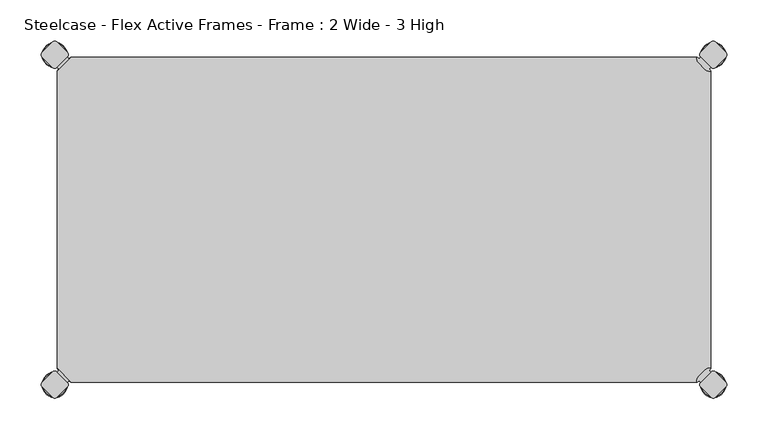
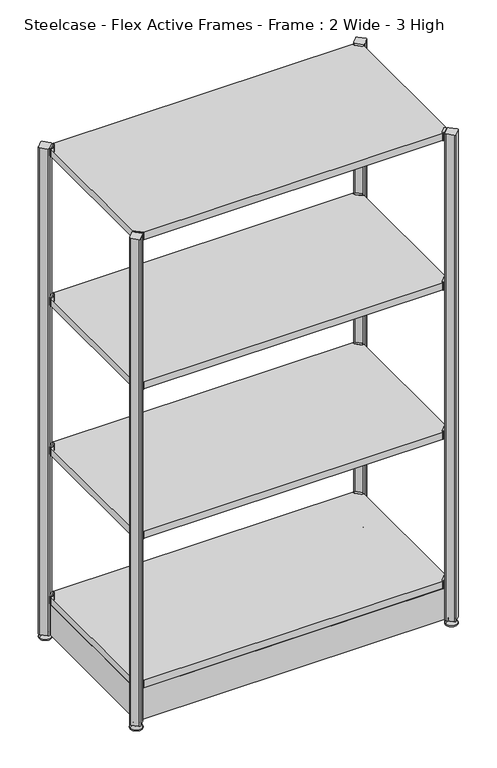
"""IFC4 building model written with IfcOpenShell, lengths in millimetres: furniture geometry, Steelcase - Flex Active Frames - Frame : 2 Wide - 3 High."""

from ifc_helpers import new_model, si_unit, point, frame, frame_2d, origin, place, context, project, spatial, polyline, circle_curve, ellipse_curve, trimmed, segment, composite_curve, outline, extrude, source, transform, mapped, element, save
from ifc_brep_helpers import plane_surface, cylinder_surface, revolved_surface, advanced_brep


def steelcase_flex_active_frames_frame_2_wide_3_high_e68bc6d5(model_context):
    return source(origin(), model_context, "Body", "SolidModel", [
        advanced_brep(
        [(795.4995166, -396.9286835, 0.0), (809.4482375, -396.9286835, 0.0), (781.5507958, -396.9286835, 0.0), (810.3951451, -396.9286835, 2.116325), (780.6038882, -396.9286835, 2.116325), (804.2429012, -396.9286835, 8.9997406), (786.7561321, -396.9286835, 8.9997406), (802.9003852, -396.9286835, 8.9997406), (788.0986481, -396.9286835, 8.9997406), (802.9003852, -396.9286835, 12.0919909), (788.0986481, -396.9286835, 12.0919909), (802.3923852, -396.9286835, 12.5999909), (788.6066481, -396.9286835, 12.5999909), (799.518847, -396.9286835, 12.5999909), (791.4801863, -396.9286835, 12.5999909), (799.518847, -396.9286835, 22.7146261), (791.4801863, -396.9286835, 22.7146261), (795.4995166, -396.9286835, 22.7146261)],
        [
            (0, 1),
            (1, 2, circle_curve(frame((795.4995166, -396.9286835, 0.0), z_axis=(0.0, 0.0, -1.0), x_axis=(1.0, 0.0, 0.0)), 13.9487209)),
            (2, 0),
            (2, 1, circle_curve(frame((795.4995166, -396.9286835, 0.0), z_axis=(0.0, 0.0, -1.0), x_axis=(1.0, 0.0, 0.0)), 13.9487209)),
            (1, 3, circle_curve(frame((809.4482375, -396.9286835, 1.27), z_axis=(0.0, -1.0, 0.0), x_axis=(1.0, 0.0, 0.0)), 1.27)),
            (3, 4, circle_curve(frame((795.4995166, -396.9286835, 2.116325), z_axis=(0.0, 0.0, -1.0), x_axis=(1.0, 0.0, 0.0)), 14.8956285)),
            (4, 2, circle_curve(frame((781.5507958, -396.9286835, 1.27), z_axis=(0.0, -1.0, 0.0), x_axis=(-1.0, 0.0, 0.0)), 1.27)),
            (4, 3, circle_curve(frame((795.4995166, -396.9286835, 2.116325), z_axis=(0.0, 0.0, -1.0), x_axis=(1.0, 0.0, 0.0)), 14.8956285)),
            (3, 5),
            (5, 6, circle_curve(frame((795.4995166, -396.9286835, 8.9997406), z_axis=(0.0, 0.0, -1.0), x_axis=(1.0, 0.0, 0.0)), 8.7433846)),
            (6, 4),
            (6, 5, circle_curve(frame((795.4995166, -396.9286835, 8.9997406), z_axis=(0.0, 0.0, -1.0), x_axis=(1.0, 0.0, 0.0)), 8.7433846)),
            (5, 7),
            (7, 8, circle_curve(frame((795.4995166, -396.9286835, 8.9997406), z_axis=(0.0, 0.0, -1.0), x_axis=(1.0, 0.0, 0.0)), 7.4008685)),
            (8, 6),
            (8, 7, circle_curve(frame((795.4995166, -396.9286835, 8.9997406), z_axis=(0.0, 0.0, -1.0), x_axis=(1.0, 0.0, 0.0)), 7.4008685)),
            (7, 9),
            (9, 10, circle_curve(frame((795.4995166, -396.9286835, 12.0919909), z_axis=(0.0, 0.0, -1.0), x_axis=(1.0, 0.0, 0.0)), 7.4008685)),
            (10, 8),
            (10, 9, circle_curve(frame((795.4995166, -396.9286835, 12.0919909), z_axis=(0.0, 0.0, -1.0), x_axis=(1.0, 0.0, 0.0)), 7.4008685)),
            (9, 11, circle_curve(frame((802.3923852, -396.9286835, 12.0919909), z_axis=(0.0, -1.0, 0.0), x_axis=(1.0, 0.0, 0.0)), 0.508)),
            (11, 12, circle_curve(frame((795.4995166, -396.9286835, 12.5999909), z_axis=(0.0, 0.0, -1.0), x_axis=(1.0, 0.0, 0.0)), 6.8928685)),
            (12, 10, circle_curve(frame((788.6066481, -396.9286835, 12.0919909), z_axis=(0.0, -1.0, 0.0), x_axis=(-1.0, 0.0, 0.0)), 0.508)),
            (12, 11, circle_curve(frame((795.4995166, -396.9286835, 12.5999909), z_axis=(0.0, 0.0, -1.0), x_axis=(1.0, 0.0, 0.0)), 6.8928685)),
            (11, 13),
            (13, 14, circle_curve(frame((795.4995166, -396.9286835, 12.5999909), z_axis=(0.0, 0.0, -1.0), x_axis=(1.0, 0.0, 0.0)), 4.0193303)),
            (14, 12),
            (14, 13, circle_curve(frame((795.4995166, -396.9286835, 12.5999909), z_axis=(0.0, 0.0, -1.0), x_axis=(1.0, 0.0, 0.0)), 4.0193303)),
            (13, 15),
            (15, 16, circle_curve(frame((795.4995166, -396.9286835, 22.7146261), z_axis=(0.0, 0.0, -1.0), x_axis=(1.0, 0.0, 0.0)), 4.0193303)),
            (16, 14),
            (16, 15, circle_curve(frame((795.4995166, -396.9286835, 22.7146261), z_axis=(0.0, 0.0, -1.0), x_axis=(1.0, 0.0, 0.0)), 4.0193303)),
            (15, 17),
            (17, 16),
        ],
        [
            plane_surface(frame((795.4995166, -396.9286835, 0.0), z_axis=(0.0, 0.0, -1.0), x_axis=(1.0, 0.0, 0.0))),
            revolved_surface(trimmed(ellipse_curve(frame((809.4482375, -396.9286835, 1.27), z_axis=(0.0, 1.0, 0.0), x_axis=(1.0, 0.0, 0.0)), 1.27, 1.27), [point((810.3951451, -396.9286835, 2.116325))], [point((809.4482375, -396.9286835, 0.0))], True, "CARTESIAN"), (795.4995166, -396.9286835, 32.0514718), (0.0, 0.0, -1.0)),
            revolved_surface(polyline([(804.2429012, -396.9286835, 8.9997406), (810.3951451, -396.9286835, 2.116325)]), (795.4995166, -396.9286835, 32.0514718), (0.0, 0.0, -1.0)),
            plane_surface(frame((795.4995166, -396.9286835, 8.9997406), z_axis=(0.0, 0.0, 1.0), x_axis=(1.0, 0.0, 0.0))),
            cylinder_surface(frame((795.4995166, -396.9286835, 32.0514718), z_axis=(0.0, 0.0, -1.0), x_axis=(1.0, 0.0, 0.0)), 7.4008685),
            revolved_surface(trimmed(ellipse_curve(frame((802.3923852, -396.9286835, 12.0919909), z_axis=(0.0, 1.0, 0.0), x_axis=(1.0, 0.0, 0.0)), 0.508, 0.508), [point((802.3923852, -396.9286835, 12.5999909))], [point((802.9003852, -396.9286835, 12.0919909))], True, "CARTESIAN"), (795.4995166, -396.9286835, 32.0514718), (0.0, 0.0, -1.0)),
            plane_surface(frame((795.4995166, -396.9286835, 12.5999909), z_axis=(0.0, 0.0, 1.0), x_axis=(1.0, 0.0, 0.0))),
            cylinder_surface(frame((795.4995166, -396.9286835, 32.0514718), z_axis=(0.0, 0.0, -1.0), x_axis=(1.0, 0.0, 0.0)), 4.0193303),
            plane_surface(frame((795.4995166, -396.9286835, 22.7146261), z_axis=(0.0, 0.0, 1.0), x_axis=(1.0, 0.0, 0.0))),
        ],
        [
            (0, [[1, 2, 3]]),
            (0, [[-3, 4, -1]]),
            (1, [[-2, 5, 6, 7]]),
            (1, [[-4, -7, 8, -5]]),
            (2, [[-6, 9, 10, 11]]),
            (2, [[-8, -11, 12, -9]]),
            (3, [[-10, 13, 14, 15]]),
            (3, [[-12, -15, 16, -13]]),
            (4, [[-14, 17, 18, 19]]),
            (4, [[-16, -19, 20, -17]]),
            (5, [[-18, 21, 22, 23]]),
            (5, [[-20, -23, 24, -21]]),
            (6, [[-22, 25, 26, 27]]),
            (6, [[-24, -27, 28, -25]]),
            (7, [[-26, 29, 30, 31]]),
            (7, [[-28, -31, 32, -29]]),
            (8, [[-30, 33, 34]]),
            (8, [[-32, -34, -33]]),
        ],
    ),
        advanced_brep(
        [(795.4995166, 2.9246323, 0.0), (781.5507958, 2.9246323, 0.0), (809.4482375, 2.9246323, 0.0), (780.6038882, 2.9246323, 2.116325), (810.3951451, 2.9246323, 2.116325), (786.7561321, 2.9246323, 8.9997406), (804.2429012, 2.9246323, 8.9997406), (788.0986481, 2.9246323, 8.9997406), (802.9003852, 2.9246323, 8.9997406), (788.0986481, 2.9246323, 12.0919909), (802.9003852, 2.9246323, 12.0919909), (788.6066481, 2.9246323, 12.5999909), (802.3923852, 2.9246323, 12.5999909), (791.4801863, 2.9246323, 12.5999909), (799.518847, 2.9246323, 12.5999909), (791.4801863, 2.9246323, 22.7146261), (799.518847, 2.9246323, 22.7146261), (795.4995166, 2.9246323, 22.7146261)],
        [
            (0, 1),
            (1, 2, circle_curve(frame((795.4995166, 2.9246323, 0.0), z_axis=(0.0, 0.0, -1.0), x_axis=(1.0, 0.0, 0.0)), 13.9487209)),
            (2, 0),
            (2, 1, circle_curve(frame((795.4995166, 2.9246323, 0.0), z_axis=(0.0, 0.0, -1.0), x_axis=(1.0, 0.0, 0.0)), 13.9487209)),
            (1, 3, circle_curve(frame((781.5507958, 2.9246323, 1.27), z_axis=(0.0, 1.0, 0.0), x_axis=(-1.0, 0.0, 0.0)), 1.27)),
            (3, 4, circle_curve(frame((795.4995166, 2.9246323, 2.116325), z_axis=(0.0, 0.0, -1.0), x_axis=(1.0, 0.0, 0.0)), 14.8956285)),
            (4, 2, circle_curve(frame((809.4482375, 2.9246323, 1.27), z_axis=(0.0, 1.0, 0.0), x_axis=(1.0, 0.0, 0.0)), 1.27)),
            (4, 3, circle_curve(frame((795.4995166, 2.9246323, 2.116325), z_axis=(0.0, 0.0, -1.0), x_axis=(1.0, 0.0, 0.0)), 14.8956285)),
            (3, 5),
            (5, 6, circle_curve(frame((795.4995166, 2.9246323, 8.9997406), z_axis=(0.0, 0.0, -1.0), x_axis=(1.0, 0.0, 0.0)), 8.7433846)),
            (6, 4),
            (6, 5, circle_curve(frame((795.4995166, 2.9246323, 8.9997406), z_axis=(0.0, 0.0, -1.0), x_axis=(1.0, 0.0, 0.0)), 8.7433846)),
            (5, 7),
            (7, 8, circle_curve(frame((795.4995166, 2.9246323, 8.9997406), z_axis=(0.0, 0.0, -1.0), x_axis=(1.0, 0.0, 0.0)), 7.4008685)),
            (8, 6),
            (8, 7, circle_curve(frame((795.4995166, 2.9246323, 8.9997406), z_axis=(0.0, 0.0, -1.0), x_axis=(1.0, 0.0, 0.0)), 7.4008685)),
            (7, 9),
            (9, 10, circle_curve(frame((795.4995166, 2.9246323, 12.0919909), z_axis=(0.0, 0.0, -1.0), x_axis=(1.0, 0.0, 0.0)), 7.4008685)),
            (10, 8),
            (10, 9, circle_curve(frame((795.4995166, 2.9246323, 12.0919909), z_axis=(0.0, 0.0, -1.0), x_axis=(1.0, 0.0, 0.0)), 7.4008685)),
            (9, 11, circle_curve(frame((788.6066481, 2.9246323, 12.0919909), z_axis=(0.0, 1.0, 0.0), x_axis=(-1.0, 0.0, 0.0)), 0.508)),
            (11, 12, circle_curve(frame((795.4995166, 2.9246323, 12.5999909), z_axis=(0.0, 0.0, -1.0), x_axis=(1.0, 0.0, 0.0)), 6.8928685)),
            (12, 10, circle_curve(frame((802.3923852, 2.9246323, 12.0919909), z_axis=(0.0, 1.0, 0.0), x_axis=(1.0, 0.0, 0.0)), 0.508)),
            (12, 11, circle_curve(frame((795.4995166, 2.9246323, 12.5999909), z_axis=(0.0, 0.0, -1.0), x_axis=(1.0, 0.0, 0.0)), 6.8928685)),
            (11, 13),
            (13, 14, circle_curve(frame((795.4995166, 2.9246323, 12.5999909), z_axis=(0.0, 0.0, -1.0), x_axis=(1.0, 0.0, 0.0)), 4.0193303)),
            (14, 12),
            (14, 13, circle_curve(frame((795.4995166, 2.9246323, 12.5999909), z_axis=(0.0, 0.0, -1.0), x_axis=(1.0, 0.0, 0.0)), 4.0193303)),
            (13, 15),
            (15, 16, circle_curve(frame((795.4995166, 2.9246323, 22.7146261), z_axis=(0.0, 0.0, -1.0), x_axis=(1.0, 0.0, 0.0)), 4.0193303)),
            (16, 14),
            (16, 15, circle_curve(frame((795.4995166, 2.9246323, 22.7146261), z_axis=(0.0, 0.0, -1.0), x_axis=(1.0, 0.0, 0.0)), 4.0193303)),
            (15, 17),
            (17, 16),
        ],
        [
            plane_surface(frame((795.4995166, 2.9246323, 0.0), z_axis=(0.0, 0.0, -1.0), x_axis=(1.0, 0.0, 0.0))),
            revolved_surface(trimmed(ellipse_curve(frame((809.4482375, 2.9246323, 1.27), z_axis=(0.0, 1.0, 0.0), x_axis=(1.0, 0.0, 0.0)), 1.27, 1.27), [point((810.3951451, 2.9246323, 2.116325))], [point((809.4482375, 2.9246323, 0.0))], True, "CARTESIAN"), (795.4995166, 2.9246323, 32.0514718), (0.0, 0.0, -1.0)),
            revolved_surface(polyline([(804.2429012, 2.9246323, 8.9997406), (810.3951451, 2.9246323, 2.116325)]), (795.4995166, 2.9246323, 32.0514718), (0.0, 0.0, -1.0)),
            plane_surface(frame((795.4995166, 2.9246323, 8.9997406), z_axis=(0.0, 0.0, 1.0), x_axis=(1.0, 0.0, 0.0))),
            cylinder_surface(frame((795.4995166, 2.9246323, 32.0514718), z_axis=(0.0, 0.0, -1.0), x_axis=(1.0, 0.0, 0.0)), 7.4008685),
            revolved_surface(trimmed(ellipse_curve(frame((802.3923852, 2.9246323, 12.0919909), z_axis=(0.0, 1.0, 0.0), x_axis=(1.0, 0.0, 0.0)), 0.508, 0.508), [point((802.3923852, 2.9246323, 12.5999909))], [point((802.9003852, 2.9246323, 12.0919909))], True, "CARTESIAN"), (795.4995166, 2.9246323, 32.0514718), (0.0, 0.0, -1.0)),
            plane_surface(frame((795.4995166, 2.9246323, 12.5999909), z_axis=(0.0, 0.0, 1.0), x_axis=(1.0, 0.0, 0.0))),
            cylinder_surface(frame((795.4995166, 2.9246323, 32.0514718), z_axis=(0.0, 0.0, -1.0), x_axis=(1.0, 0.0, 0.0)), 4.0193303),
            plane_surface(frame((795.4995166, 2.9246323, 22.7146261), z_axis=(0.0, 0.0, 1.0), x_axis=(1.0, 0.0, 0.0))),
        ],
        [
            (0, [[1, 2, 3]]),
            (0, [[-3, 4, -1]]),
            (1, [[5, 6, 7, -2]]),
            (1, [[-7, 8, -5, -4]]),
            (2, [[9, 10, 11, -6]]),
            (2, [[-11, 12, -9, -8]]),
            (3, [[13, 14, 15, -10]]),
            (3, [[-15, 16, -13, -12]]),
            (4, [[17, 18, 19, -14]]),
            (4, [[-19, 20, -17, -16]]),
            (5, [[21, 22, 23, -18]]),
            (5, [[-23, 24, -21, -20]]),
            (6, [[25, 26, 27, -22]]),
            (6, [[-27, 28, -25, -24]]),
            (7, [[29, 30, 31, -26]]),
            (7, [[-31, 32, -29, -28]]),
            (8, [[33, 34, -30]]),
            (8, [[-34, -33, -32]]),
        ],
    ),
        advanced_brep(
        [(-3.0195166, -396.8786323, 0.0), (10.9292042, -396.8786323, 0.0), (-16.9682375, -396.8786323, 0.0), (11.8761118, -396.8786323, 2.116325), (-17.9151451, -396.8786323, 2.116325), (5.7238679, -396.8786323, 8.9997406), (-11.7629012, -396.8786323, 8.9997406), (4.3813519, -396.8786323, 8.9997406), (-10.4203852, -396.8786323, 8.9997406), (4.3813519, -396.8786323, 12.0919909), (-10.4203852, -396.8786323, 12.0919909), (3.8733519, -396.8786323, 12.5999909), (-9.9123852, -396.8786323, 12.5999909), (0.9998137, -396.8786323, 12.5999909), (-7.038847, -396.8786323, 12.5999909), (0.9998137, -396.8786323, 22.7146261), (-7.038847, -396.8786323, 22.7146261), (-3.0195166, -396.8786323, 22.7146261)],
        [
            (0, 1),
            (1, 2, circle_curve(frame((-3.0195166, -396.8786323, 0.0), z_axis=(0.0, 0.0, -1.0), x_axis=(-1.0, 0.0, 0.0)), 13.9487209)),
            (2, 0),
            (2, 1, circle_curve(frame((-3.0195166, -396.8786323, 0.0), z_axis=(0.0, 0.0, -1.0), x_axis=(-1.0, 0.0, 0.0)), 13.9487209)),
            (1, 3, circle_curve(frame((10.9292042, -396.8786323, 1.27), z_axis=(0.0, -1.0, 0.0), x_axis=(1.0, 0.0, 0.0)), 1.27)),
            (3, 4, circle_curve(frame((-3.0195166, -396.8786323, 2.116325), z_axis=(0.0, 0.0, -1.0), x_axis=(-1.0, 0.0, 0.0)), 14.8956285)),
            (4, 2, circle_curve(frame((-16.9682375, -396.8786323, 1.27), z_axis=(0.0, -1.0, 0.0), x_axis=(-1.0, 0.0, 0.0)), 1.27)),
            (4, 3, circle_curve(frame((-3.0195166, -396.8786323, 2.116325), z_axis=(0.0, 0.0, -1.0), x_axis=(-1.0, 0.0, 0.0)), 14.8956285)),
            (3, 5),
            (5, 6, circle_curve(frame((-3.0195166, -396.8786323, 8.9997406), z_axis=(0.0, 0.0, -1.0), x_axis=(-1.0, 0.0, 0.0)), 8.7433846)),
            (6, 4),
            (6, 5, circle_curve(frame((-3.0195166, -396.8786323, 8.9997406), z_axis=(0.0, 0.0, -1.0), x_axis=(-1.0, 0.0, 0.0)), 8.7433846)),
            (5, 7),
            (7, 8, circle_curve(frame((-3.0195166, -396.8786323, 8.9997406), z_axis=(0.0, 0.0, -1.0), x_axis=(-1.0, 0.0, 0.0)), 7.4008685)),
            (8, 6),
            (8, 7, circle_curve(frame((-3.0195166, -396.8786323, 8.9997406), z_axis=(0.0, 0.0, -1.0), x_axis=(-1.0, 0.0, 0.0)), 7.4008685)),
            (7, 9),
            (9, 10, circle_curve(frame((-3.0195166, -396.8786323, 12.0919909), z_axis=(0.0, 0.0, -1.0), x_axis=(-1.0, 0.0, 0.0)), 7.4008685)),
            (10, 8),
            (10, 9, circle_curve(frame((-3.0195166, -396.8786323, 12.0919909), z_axis=(0.0, 0.0, -1.0), x_axis=(-1.0, 0.0, 0.0)), 7.4008685)),
            (9, 11, circle_curve(frame((3.8733519, -396.8786323, 12.0919909), z_axis=(0.0, -1.0, 0.0), x_axis=(1.0, 0.0, 0.0)), 0.508)),
            (11, 12, circle_curve(frame((-3.0195166, -396.8786323, 12.5999909), z_axis=(0.0, 0.0, -1.0), x_axis=(-1.0, 0.0, 0.0)), 6.8928685)),
            (12, 10, circle_curve(frame((-9.9123852, -396.8786323, 12.0919909), z_axis=(0.0, -1.0, 0.0), x_axis=(-1.0, 0.0, 0.0)), 0.508)),
            (12, 11, circle_curve(frame((-3.0195166, -396.8786323, 12.5999909), z_axis=(0.0, 0.0, -1.0), x_axis=(-1.0, 0.0, 0.0)), 6.8928685)),
            (11, 13),
            (13, 14, circle_curve(frame((-3.0195166, -396.8786323, 12.5999909), z_axis=(0.0, 0.0, -1.0), x_axis=(-1.0, 0.0, 0.0)), 4.0193303)),
            (14, 12),
            (14, 13, circle_curve(frame((-3.0195166, -396.8786323, 12.5999909), z_axis=(0.0, 0.0, -1.0), x_axis=(-1.0, 0.0, 0.0)), 4.0193303)),
            (13, 15),
            (15, 16, circle_curve(frame((-3.0195166, -396.8786323, 22.7146261), z_axis=(0.0, 0.0, -1.0), x_axis=(-1.0, 0.0, 0.0)), 4.0193303)),
            (16, 14),
            (16, 15, circle_curve(frame((-3.0195166, -396.8786323, 22.7146261), z_axis=(0.0, 0.0, -1.0), x_axis=(-1.0, 0.0, 0.0)), 4.0193303)),
            (15, 17),
            (17, 16),
        ],
        [
            plane_surface(frame((-3.0195166, -396.8786323, 0.0), z_axis=(0.0, 0.0, -1.0), x_axis=(-1.0, 0.0, 0.0))),
            revolved_surface(trimmed(ellipse_curve(frame((-16.9682375, -396.8786323, 1.27), z_axis=(0.0, -1.0, 0.0), x_axis=(-1.0, 0.0, 0.0)), 1.27, 1.27), [point((-17.9151451, -396.8786323, 2.116325))], [point((-16.9682375, -396.8786323, 0.0))], True, "CARTESIAN"), (-3.0195166, -396.8786323, 32.0514718), (0.0, 0.0, -1.0)),
            revolved_surface(polyline([(-11.7629012, -396.8786323, 8.9997406), (-17.9151451, -396.8786323, 2.116325)]), (-3.0195166, -396.8786323, 32.0514718), (0.0, 0.0, -1.0)),
            plane_surface(frame((-3.0195166, -396.8786323, 8.9997406), z_axis=(0.0, 0.0, 1.0), x_axis=(-1.0, 0.0, 0.0))),
            cylinder_surface(frame((-3.0195166, -396.8786323, 32.0514718), z_axis=(0.0, 0.0, -1.0), x_axis=(-1.0, 0.0, 0.0)), 7.4008685),
            revolved_surface(trimmed(ellipse_curve(frame((-9.9123852, -396.8786323, 12.0919909), z_axis=(0.0, -1.0, 0.0), x_axis=(-1.0, 0.0, 0.0)), 0.508, 0.508), [point((-9.9123852, -396.8786323, 12.5999909))], [point((-10.4203852, -396.8786323, 12.0919909))], True, "CARTESIAN"), (-3.0195166, -396.8786323, 32.0514718), (0.0, 0.0, -1.0)),
            plane_surface(frame((-3.0195166, -396.8786323, 12.5999909), z_axis=(0.0, 0.0, 1.0), x_axis=(-1.0, 0.0, 0.0))),
            cylinder_surface(frame((-3.0195166, -396.8786323, 32.0514718), z_axis=(0.0, 0.0, -1.0), x_axis=(-1.0, 0.0, 0.0)), 4.0193303),
            plane_surface(frame((-3.0195166, -396.8786323, 22.7146261), z_axis=(0.0, 0.0, 1.0), x_axis=(-1.0, 0.0, 0.0))),
        ],
        [
            (0, [[1, 2, 3]]),
            (0, [[-3, 4, -1]]),
            (1, [[5, 6, 7, -2]]),
            (1, [[-7, 8, -5, -4]]),
            (2, [[9, 10, 11, -6]]),
            (2, [[-11, 12, -9, -8]]),
            (3, [[13, 14, 15, -10]]),
            (3, [[-15, 16, -13, -12]]),
            (4, [[17, 18, 19, -14]]),
            (4, [[-19, 20, -17, -16]]),
            (5, [[21, 22, 23, -18]]),
            (5, [[-23, 24, -21, -20]]),
            (6, [[25, 26, 27, -22]]),
            (6, [[-27, 28, -25, -24]]),
            (7, [[29, 30, 31, -26]]),
            (7, [[-31, 32, -29, -28]]),
            (8, [[33, 34, -30]]),
            (8, [[-34, -33, -32]]),
        ],
    ),
        advanced_brep(
        [(-3.0195166, 2.9246323, 0.0), (-16.9682375, 2.9246323, 0.0), (10.9292042, 2.9246323, 0.0), (-17.9151451, 2.9246323, 2.116325), (11.8761118, 2.9246323, 2.116325), (-11.7629012, 2.9246323, 8.9997406), (5.7238679, 2.9246323, 8.9997406), (-10.4203852, 2.9246323, 8.9997406), (4.3813519, 2.9246323, 8.9997406), (-10.4203852, 2.9246323, 12.0919909), (4.3813519, 2.9246323, 12.0919909), (-9.9123852, 2.9246323, 12.5999909), (3.8733519, 2.9246323, 12.5999909), (-7.038847, 2.9246323, 12.5999909), (0.9998137, 2.9246323, 12.5999909), (-7.038847, 2.9246323, 22.7146261), (0.9998137, 2.9246323, 22.7146261), (-3.0195166, 2.9246323, 22.7146261)],
        [
            (0, 1),
            (1, 2, circle_curve(frame((-3.0195166, 2.9246323, 0.0), z_axis=(0.0, 0.0, -1.0), x_axis=(-1.0, 0.0, 0.0)), 13.9487209)),
            (2, 0),
            (2, 1, circle_curve(frame((-3.0195166, 2.9246323, 0.0), z_axis=(0.0, 0.0, -1.0), x_axis=(-1.0, 0.0, 0.0)), 13.9487209)),
            (1, 3, circle_curve(frame((-16.9682375, 2.9246323, 1.27), z_axis=(0.0, 1.0, 0.0), x_axis=(-1.0, 0.0, 0.0)), 1.27)),
            (3, 4, circle_curve(frame((-3.0195166, 2.9246323, 2.116325), z_axis=(0.0, 0.0, -1.0), x_axis=(-1.0, 0.0, 0.0)), 14.8956285)),
            (4, 2, circle_curve(frame((10.9292042, 2.9246323, 1.27), z_axis=(0.0, 1.0, 0.0), x_axis=(1.0, 0.0, 0.0)), 1.27)),
            (4, 3, circle_curve(frame((-3.0195166, 2.9246323, 2.116325), z_axis=(0.0, 0.0, -1.0), x_axis=(-1.0, 0.0, 0.0)), 14.8956285)),
            (3, 5),
            (5, 6, circle_curve(frame((-3.0195166, 2.9246323, 8.9997406), z_axis=(0.0, 0.0, -1.0), x_axis=(-1.0, 0.0, 0.0)), 8.7433846)),
            (6, 4),
            (6, 5, circle_curve(frame((-3.0195166, 2.9246323, 8.9997406), z_axis=(0.0, 0.0, -1.0), x_axis=(-1.0, 0.0, 0.0)), 8.7433846)),
            (5, 7),
            (7, 8, circle_curve(frame((-3.0195166, 2.9246323, 8.9997406), z_axis=(0.0, 0.0, -1.0), x_axis=(-1.0, 0.0, 0.0)), 7.4008685)),
            (8, 6),
            (8, 7, circle_curve(frame((-3.0195166, 2.9246323, 8.9997406), z_axis=(0.0, 0.0, -1.0), x_axis=(-1.0, 0.0, 0.0)), 7.4008685)),
            (7, 9),
            (9, 10, circle_curve(frame((-3.0195166, 2.9246323, 12.0919909), z_axis=(0.0, 0.0, -1.0), x_axis=(-1.0, 0.0, 0.0)), 7.4008685)),
            (10, 8),
            (10, 9, circle_curve(frame((-3.0195166, 2.9246323, 12.0919909), z_axis=(0.0, 0.0, -1.0), x_axis=(-1.0, 0.0, 0.0)), 7.4008685)),
            (9, 11, circle_curve(frame((-9.9123852, 2.9246323, 12.0919909), z_axis=(0.0, 1.0, 0.0), x_axis=(-1.0, 0.0, 0.0)), 0.508)),
            (11, 12, circle_curve(frame((-3.0195166, 2.9246323, 12.5999909), z_axis=(0.0, 0.0, -1.0), x_axis=(-1.0, 0.0, 0.0)), 6.8928685)),
            (12, 10, circle_curve(frame((3.8733519, 2.9246323, 12.0919909), z_axis=(0.0, 1.0, 0.0), x_axis=(1.0, 0.0, 0.0)), 0.508)),
            (12, 11, circle_curve(frame((-3.0195166, 2.9246323, 12.5999909), z_axis=(0.0, 0.0, -1.0), x_axis=(-1.0, 0.0, 0.0)), 6.8928685)),
            (11, 13),
            (13, 14, circle_curve(frame((-3.0195166, 2.9246323, 12.5999909), z_axis=(0.0, 0.0, -1.0), x_axis=(-1.0, 0.0, 0.0)), 4.0193303)),
            (14, 12),
            (14, 13, circle_curve(frame((-3.0195166, 2.9246323, 12.5999909), z_axis=(0.0, 0.0, -1.0), x_axis=(-1.0, 0.0, 0.0)), 4.0193303)),
            (13, 15),
            (15, 16, circle_curve(frame((-3.0195166, 2.9246323, 22.7146261), z_axis=(0.0, 0.0, -1.0), x_axis=(-1.0, 0.0, 0.0)), 4.0193303)),
            (16, 14),
            (16, 15, circle_curve(frame((-3.0195166, 2.9246323, 22.7146261), z_axis=(0.0, 0.0, -1.0), x_axis=(-1.0, 0.0, 0.0)), 4.0193303)),
            (15, 17),
            (17, 16),
        ],
        [
            plane_surface(frame((-3.0195166, 2.9246323, 0.0), z_axis=(0.0, 0.0, -1.0), x_axis=(-1.0, 0.0, 0.0))),
            revolved_surface(trimmed(ellipse_curve(frame((-16.9682375, 2.9246323, 1.27), z_axis=(0.0, -1.0, 0.0), x_axis=(-1.0, 0.0, 0.0)), 1.27, 1.27), [point((-17.9151451, 2.9246323, 2.116325))], [point((-16.9682375, 2.9246323, 0.0))], True, "CARTESIAN"), (-3.0195166, 2.9246323, 32.0514718), (0.0, 0.0, -1.0)),
            revolved_surface(polyline([(-11.7629012, 2.9246323, 8.9997406), (-17.9151451, 2.9246323, 2.116325)]), (-3.0195166, 2.9246323, 32.0514718), (0.0, 0.0, -1.0)),
            plane_surface(frame((-3.0195166, 2.9246323, 8.9997406), z_axis=(0.0, 0.0, 1.0), x_axis=(-1.0, 0.0, 0.0))),
            cylinder_surface(frame((-3.0195166, 2.9246323, 32.0514718), z_axis=(0.0, 0.0, -1.0), x_axis=(-1.0, 0.0, 0.0)), 7.4008685),
            revolved_surface(trimmed(ellipse_curve(frame((-9.9123852, 2.9246323, 12.0919909), z_axis=(0.0, -1.0, 0.0), x_axis=(-1.0, 0.0, 0.0)), 0.508, 0.508), [point((-9.9123852, 2.9246323, 12.5999909))], [point((-10.4203852, 2.9246323, 12.0919909))], True, "CARTESIAN"), (-3.0195166, 2.9246323, 32.0514718), (0.0, 0.0, -1.0)),
            plane_surface(frame((-3.0195166, 2.9246323, 12.5999909), z_axis=(0.0, 0.0, 1.0), x_axis=(-1.0, 0.0, 0.0))),
            cylinder_surface(frame((-3.0195166, 2.9246323, 32.0514718), z_axis=(0.0, 0.0, -1.0), x_axis=(-1.0, 0.0, 0.0)), 4.0193303),
            plane_surface(frame((-3.0195166, 2.9246323, 22.7146261), z_axis=(0.0, 0.0, 1.0), x_axis=(-1.0, 0.0, 0.0))),
        ],
        [
            (0, [[1, 2, 3]]),
            (0, [[-3, 4, -1]]),
            (1, [[-2, 5, 6, 7]]),
            (1, [[-4, -7, 8, -5]]),
            (2, [[-6, 9, 10, 11]]),
            (2, [[-8, -11, 12, -9]]),
            (3, [[-10, 13, 14, 15]]),
            (3, [[-12, -15, 16, -13]]),
            (4, [[-14, 17, 18, 19]]),
            (4, [[-16, -19, 20, -17]]),
            (5, [[-18, 21, 22, 23]]),
            (5, [[-20, -23, 24, -21]]),
            (6, [[-22, 25, 26, 27]]),
            (6, [[-24, -27, 28, -25]]),
            (7, [[-26, 29, 30, 31]]),
            (7, [[-28, -31, 32, -29]]),
            (8, [[-30, 33, 34]]),
            (8, [[-32, -34, -33]]),
        ],
    ),
        extrude(outline(composite_curve([segment(polyline([(778.3364357, -1.93874), (780.4244011, 0.1493247), (792.6187028, -12.044977), (790.530772, -14.1329326), (792.5017057, -16.1038431), (792.4895198, -17.203916), (789.7543812, -16.8384277)]), True, "CONTINUOUS"), segment(trimmed(circle_curve(frame_2d((790.5954366, -10.5443729)), 6.35), [point((789.7543812, -16.8384277))], [point((786.1052784, -15.0344708))], False, "CARTESIAN"), True, "CONTINUOUS"), segment(polyline([(786.1052784, -15.0344708), (777.4359854, -6.3650612)]), True, "CONTINUOUS"), segment(trimmed(circle_curve(frame_2d((781.9261436, -1.8749633)), 6.35), [point((777.4359854, -6.3650612))], [point((775.6321123, -2.7161946))], False, "CARTESIAN"), True, "CONTINUOUS"), segment(polyline([(775.6321123, -2.7161946), (775.26654, 0.0189911), (776.3664729, 0.0311996), (778.3364357, -1.93874)]), True, "CONTINUOUS")], self_intersect=False)), frame((0.0, 0.0, 1296.4822014), z_axis=(0.0, 0.0, 1.0), x_axis=(1.0, 0.0, 0.0)), (0.0, 0.0, 1.0), 20.2281258),
        extrude(outline(composite_curve([segment(polyline([(778.3364357, -392.01526), (776.3664729, -393.9851996), (775.26654, -393.9729911), (775.6321123, -391.2378054)]), True, "CONTINUOUS"), segment(trimmed(circle_curve(frame_2d((781.9261436, -392.0790367)), 6.35), [point((775.6321123, -391.2378054))], [point((777.4359854, -387.5889388))], False, "CARTESIAN"), True, "CONTINUOUS"), segment(polyline([(777.4359854, -387.5889388), (786.1052784, -378.9195292)]), True, "CONTINUOUS"), segment(trimmed(circle_curve(frame_2d((790.5954366, -383.4096271)), 6.35), [point((786.1052784, -378.9195292))], [point((789.7543812, -377.1155723))], False, "CARTESIAN"), True, "CONTINUOUS"), segment(polyline([(789.7543812, -377.1155723), (792.4895198, -376.750084), (792.5017057, -377.8501569), (790.530772, -379.8210674), (792.6187028, -381.909023), (780.4244011, -394.1033247), (778.3364357, -392.01526)]), True, "CONTINUOUS")], self_intersect=False)), frame((0.0, 0.0, 1296.4822014), z_axis=(0.0, 0.0, 1.0), x_axis=(1.0, 0.0, 0.0)), (0.0, 0.0, 1.0), 20.2281258),
        extrude(outline(polyline([(0.0003876, -376.7599914), (0.0003876, -17.1940086), (17.1943962, 0.0), (775.2856038, 0.0), (792.4796124, -17.1940086), (792.4796124, -376.7599914), (775.2856038, -393.954), (17.1943962, -393.954), (0.0003876, -376.7599914)])), frame((0.0, 0.0, 1297.499678), z_axis=(0.0, 0.0, 1.0), x_axis=(1.0, 0.0, 0.0)), (0.0, 0.0, 1.0), 19.0000031),
        extrude(outline(composite_curve([segment(polyline([(14.1435643, -1.93874), (16.1135271, 0.0311996), (17.21346, 0.0189911), (16.8478877, -2.7161946)]), True, "CONTINUOUS"), segment(trimmed(circle_curve(frame_2d((10.5538564, -1.8749633)), 6.35), [point((16.8478877, -2.7161946))], [point((15.0440146, -6.3650612))], False, "CARTESIAN"), True, "CONTINUOUS"), segment(polyline([(15.0440146, -6.3650612), (6.3747216, -15.0344708)]), True, "CONTINUOUS"), segment(trimmed(circle_curve(frame_2d((1.8845634, -10.5443729)), 6.35), [point((6.3747216, -15.0344708))], [point((2.7256188, -16.8384277))], False, "CARTESIAN"), True, "CONTINUOUS"), segment(polyline([(2.7256188, -16.8384277), (-0.0095198, -17.203916), (-0.0217057, -16.1038431), (1.949228, -14.1329326), (-0.1387028, -12.044977), (12.0555989, 0.1493247), (14.1435643, -1.93874)]), True, "CONTINUOUS")], self_intersect=False)), frame((0.0, 0.0, 1296.4822014), z_axis=(0.0, 0.0, 1.0), x_axis=(1.0, 0.0, 0.0)), (0.0, 0.0, 1.0), 20.2281258),
        extrude(outline(composite_curve([segment(polyline([(14.1435643, -392.01526), (12.0555989, -394.1033247), (-0.1387028, -381.909023), (1.949228, -379.8210674), (-0.0217057, -377.8501569), (-0.0095198, -376.750084), (2.7256188, -377.1155723)]), True, "CONTINUOUS"), segment(trimmed(circle_curve(frame_2d((1.8845634, -383.4096271)), 6.35), [point((2.7256188, -377.1155723))], [point((6.3747216, -378.9195292))], False, "CARTESIAN"), True, "CONTINUOUS"), segment(polyline([(6.3747216, -378.9195292), (15.0440146, -387.5889388)]), True, "CONTINUOUS"), segment(trimmed(circle_curve(frame_2d((10.5538564, -392.0790367)), 6.35), [point((15.0440146, -387.5889388))], [point((16.8478877, -391.2378054))], False, "CARTESIAN"), True, "CONTINUOUS"), segment(polyline([(16.8478877, -391.2378054), (17.21346, -393.9729911), (16.1135271, -393.9851996), (14.1435643, -392.01526)]), True, "CONTINUOUS")], self_intersect=False)), frame((0.0, 0.0, 1296.4822014), z_axis=(0.0, 0.0, 1.0), x_axis=(1.0, 0.0, 0.0)), (0.0, 0.0, 1.0), 20.2281258),
        extrude(outline(composite_curve([segment(polyline([(778.3364357, -1.93874), (780.4244011, 0.1493247), (792.6187028, -12.044977), (790.530772, -14.1329326), (792.5017057, -16.1038431), (792.4895198, -17.203916), (789.7543812, -16.8384277)]), True, "CONTINUOUS"), segment(trimmed(circle_curve(frame_2d((790.5954366, -10.5443729)), 6.35), [point((789.7543812, -16.8384277))], [point((786.1052784, -15.0344708))], False, "CARTESIAN"), True, "CONTINUOUS"), segment(polyline([(786.1052784, -15.0344708), (777.4359854, -6.3650612)]), True, "CONTINUOUS"), segment(trimmed(circle_curve(frame_2d((781.9261436, -1.8749633)), 6.35), [point((777.4359854, -6.3650612))], [point((775.6321123, -2.7161946))], False, "CARTESIAN"), True, "CONTINUOUS"), segment(polyline([(775.6321123, -2.7161946), (775.26654, 0.0189911), (776.3664729, 0.0311996), (778.3364357, -1.93874)]), True, "CONTINUOUS")], self_intersect=False)), frame((0.0, 0.0, 896.4822952), z_axis=(0.0, 0.0, 1.0), x_axis=(1.0, 0.0, 0.0)), (0.0, 0.0, 1.0), 20.2281258),
        extrude(outline(composite_curve([segment(polyline([(778.3364357, -392.01526), (776.3664729, -393.9851996), (775.26654, -393.9729911), (775.6321123, -391.2378054)]), True, "CONTINUOUS"), segment(trimmed(circle_curve(frame_2d((781.9261436, -392.0790367)), 6.35), [point((775.6321123, -391.2378054))], [point((777.4359854, -387.5889388))], False, "CARTESIAN"), True, "CONTINUOUS"), segment(polyline([(777.4359854, -387.5889388), (786.1052784, -378.9195292)]), True, "CONTINUOUS"), segment(trimmed(circle_curve(frame_2d((790.5954366, -383.4096271)), 6.35), [point((786.1052784, -378.9195292))], [point((789.7543812, -377.1155723))], False, "CARTESIAN"), True, "CONTINUOUS"), segment(polyline([(789.7543812, -377.1155723), (792.4895198, -376.750084), (792.5017057, -377.8501569), (790.530772, -379.8210674), (792.6187028, -381.909023), (780.4244011, -394.1033247), (778.3364357, -392.01526)]), True, "CONTINUOUS")], self_intersect=False)), frame((0.0, 0.0, 896.4822952), z_axis=(0.0, 0.0, 1.0), x_axis=(1.0, 0.0, 0.0)), (0.0, 0.0, 1.0), 20.2281258),
        extrude(outline(composite_curve([segment(polyline([(778.3364357, -1.93874), (780.4244011, 0.1493247), (792.6187028, -12.044977), (790.530772, -14.1329326), (792.5017057, -16.1038431), (792.4895198, -17.203916), (789.7543812, -16.8384277)]), True, "CONTINUOUS"), segment(trimmed(circle_curve(frame_2d((790.5954366, -10.5443729)), 6.35), [point((789.7543812, -16.8384277))], [point((786.1052784, -15.0344708))], False, "CARTESIAN"), True, "CONTINUOUS"), segment(polyline([(786.1052784, -15.0344708), (777.4359854, -6.3650612)]), True, "CONTINUOUS"), segment(trimmed(circle_curve(frame_2d((781.9261436, -1.8749633)), 6.35), [point((777.4359854, -6.3650612))], [point((775.6321123, -2.7161946))], False, "CARTESIAN"), True, "CONTINUOUS"), segment(polyline([(775.6321123, -2.7161946), (775.26654, 0.0189911), (776.3664729, 0.0311996), (778.3364357, -1.93874)]), True, "CONTINUOUS")], self_intersect=False)), frame((0.0, 0.0, 496.4821468), z_axis=(0.0, 0.0, 1.0), x_axis=(1.0, 0.0, 0.0)), (0.0, 0.0, 1.0), 20.2281258),
        extrude(outline(composite_curve([segment(polyline([(778.3364357, -392.01526), (776.3664729, -393.9851996), (775.26654, -393.9729911), (775.6321123, -391.2378054)]), True, "CONTINUOUS"), segment(trimmed(circle_curve(frame_2d((781.9261436, -392.0790367)), 6.35), [point((775.6321123, -391.2378054))], [point((777.4359854, -387.5889388))], False, "CARTESIAN"), True, "CONTINUOUS"), segment(polyline([(777.4359854, -387.5889388), (786.1052784, -378.9195292)]), True, "CONTINUOUS"), segment(trimmed(circle_curve(frame_2d((790.5954366, -383.4096271)), 6.35), [point((786.1052784, -378.9195292))], [point((789.7543812, -377.1155723))], False, "CARTESIAN"), True, "CONTINUOUS"), segment(polyline([(789.7543812, -377.1155723), (792.4895198, -376.750084), (792.5017057, -377.8501569), (790.530772, -379.8210674), (792.6187028, -381.909023), (780.4244011, -394.1033247), (778.3364357, -392.01526)]), True, "CONTINUOUS")], self_intersect=False)), frame((0.0, 0.0, 496.4821468), z_axis=(0.0, 0.0, 1.0), x_axis=(1.0, 0.0, 0.0)), (0.0, 0.0, 1.0), 20.2281258),
        extrude(outline(composite_curve([segment(polyline([(778.3364357, -1.93874), (780.4244011, 0.1493247), (792.6187028, -12.044977), (790.530772, -14.1329326), (792.5017057, -16.1038431), (792.4895198, -17.203916), (789.7543812, -16.8384277)]), True, "CONTINUOUS"), segment(trimmed(circle_curve(frame_2d((790.5954366, -10.5443729)), 6.35), [point((789.7543812, -16.8384277))], [point((786.1052784, -15.0344708))], False, "CARTESIAN"), True, "CONTINUOUS"), segment(polyline([(786.1052784, -15.0344708), (777.4359854, -6.3650612)]), True, "CONTINUOUS"), segment(trimmed(circle_curve(frame_2d((781.9261436, -1.8749633)), 6.35), [point((777.4359854, -6.3650612))], [point((775.6321123, -2.7161946))], False, "CARTESIAN"), True, "CONTINUOUS"), segment(polyline([(775.6321123, -2.7161946), (775.26654, 0.0189911), (776.3664729, 0.0311996), (778.3364357, -1.93874)]), True, "CONTINUOUS")], self_intersect=False)), frame((0.0, 0.0, 96.4824829), z_axis=(0.0, 0.0, 1.0), x_axis=(1.0, 0.0, 0.0)), (0.0, 0.0, 1.0), 20.2281258),
        extrude(outline(composite_curve([segment(polyline([(778.3364357, -392.01526), (776.3664729, -393.9851996), (775.26654, -393.9729911), (775.6321123, -391.2378054)]), True, "CONTINUOUS"), segment(trimmed(circle_curve(frame_2d((781.9261436, -392.0790367)), 6.35), [point((775.6321123, -391.2378054))], [point((777.4359854, -387.5889388))], False, "CARTESIAN"), True, "CONTINUOUS"), segment(polyline([(777.4359854, -387.5889388), (786.1052784, -378.9195292)]), True, "CONTINUOUS"), segment(trimmed(circle_curve(frame_2d((790.5954366, -383.4096271)), 6.35), [point((786.1052784, -378.9195292))], [point((789.7543812, -377.1155723))], False, "CARTESIAN"), True, "CONTINUOUS"), segment(polyline([(789.7543812, -377.1155723), (792.4895198, -376.750084), (792.5017057, -377.8501569), (790.530772, -379.8210674), (792.6187028, -381.909023), (780.4244011, -394.1033247), (778.3364357, -392.01526)]), True, "CONTINUOUS")], self_intersect=False)), frame((0.0, 0.0, 96.4824829), z_axis=(0.0, 0.0, 1.0), x_axis=(1.0, 0.0, 0.0)), (0.0, 0.0, 1.0), 20.2281258),
        extrude(outline(composite_curve([segment(trimmed(circle_curve(frame_2d((808.8538021, 2.9983545)), 3.048), [point((811.0090767, 5.1536029))], [point((811.0090505, 0.8430799))], False, "CARTESIAN"), True, "CONTINUOUS"), segment(polyline([(811.0090505, 0.8430799), (797.6462856, -12.5195224)]), True, "CONTINUOUS"), segment(trimmed(circle_curve(frame_2d((795.4910373, -10.3642478)), 3.048), [point((797.6462856, -12.5195224))], [point((793.3357649, -12.5194983))], False, "CARTESIAN"), True, "CONTINUOUS"), segment(polyline([(793.3357649, -12.5194983), (779.9732856, 0.8431164)]), True, "CONTINUOUS"), segment(trimmed(circle_curve(frame_2d((782.128558, 2.998367)), 3.048), [point((779.9732856, 0.8431164))], [point((779.9732965, 5.1536284))], False, "CARTESIAN"), True, "CONTINUOUS"), segment(polyline([(779.9732965, 5.1536284), (793.3359936, 18.5163256)]), True, "CONTINUOUS"), segment(trimmed(circle_curve(frame_2d((795.4912551, 16.3610641)), 3.048), [point((793.3359936, 18.5163256))], [point((797.6465297, 18.5163124))], False, "CARTESIAN"), True, "CONTINUOUS"), segment(polyline([(797.6465297, 18.5163124), (811.0090767, 5.1536029)]), True, "CONTINUOUS")], self_intersect=False)), frame((0.0, 0.0, 12.5999909), z_axis=(0.0, 0.0, 1.0), x_axis=(1.0, 0.0, 0.0)), (0.0, 0.0, 1.0), 1303.8820091),
        extrude(outline(composite_curve([segment(polyline([(811.0090767, -399.1076029), (797.6465297, -412.4703124)]), True, "CONTINUOUS"), segment(trimmed(circle_curve(frame_2d((795.4912551, -410.3150641)), 3.048), [point((797.6465297, -412.4703124))], [point((793.3359936, -412.4703256))], False, "CARTESIAN"), True, "CONTINUOUS"), segment(polyline([(793.3359936, -412.4703256), (779.9732965, -399.1076284)]), True, "CONTINUOUS"), segment(trimmed(circle_curve(frame_2d((782.128558, -396.952367)), 3.048), [point((779.9732965, -399.1076284))], [point((779.9732856, -394.7971164))], False, "CARTESIAN"), True, "CONTINUOUS"), segment(polyline([(779.9732856, -394.7971164), (793.3357649, -381.4345017)]), True, "CONTINUOUS"), segment(trimmed(circle_curve(frame_2d((795.4910373, -383.5897522)), 3.048), [point((793.3357649, -381.4345017))], [point((797.6462856, -381.4344776))], False, "CARTESIAN"), True, "CONTINUOUS"), segment(polyline([(797.6462856, -381.4344776), (811.0090505, -394.7970799)]), True, "CONTINUOUS"), segment(trimmed(circle_curve(frame_2d((808.8538021, -396.9523545)), 3.048), [point((811.0090505, -394.7970799))], [point((811.0090767, -399.1076029))], False, "CARTESIAN"), True, "CONTINUOUS")], self_intersect=False)), frame((0.0, 0.0, 12.5999909), z_axis=(0.0, 0.0, 1.0), x_axis=(1.0, 0.0, 0.0)), (0.0, 0.0, 1.0), 1303.8820091),
        extrude(outline(polyline([(0.0003876, -376.7599914), (0.0003876, -17.1940086), (17.1943962, 0.0), (775.2856038, 0.0), (792.4796124, -17.1940086), (792.4796124, -376.7599914), (775.2856038, -393.954), (17.1943962, -393.954), (0.0003876, -376.7599914)])), frame((0.0, 0.0, 97.4999596), z_axis=(0.0, 0.0, 1.0), x_axis=(1.0, 0.0, 0.0)), (0.0, 0.0, 1.0), 19.0000031),
        extrude(outline(composite_curve([segment(polyline([(14.1435643, -1.93874), (16.1135271, 0.0311996), (17.21346, 0.0189911), (16.8478877, -2.7161946)]), True, "CONTINUOUS"), segment(trimmed(circle_curve(frame_2d((10.5538564, -1.8749633)), 6.35), [point((16.8478877, -2.7161946))], [point((15.0440146, -6.3650612))], False, "CARTESIAN"), True, "CONTINUOUS"), segment(polyline([(15.0440146, -6.3650612), (6.3747216, -15.0344708)]), True, "CONTINUOUS"), segment(trimmed(circle_curve(frame_2d((1.8845634, -10.5443729)), 6.35), [point((6.3747216, -15.0344708))], [point((2.7256188, -16.8384277))], False, "CARTESIAN"), True, "CONTINUOUS"), segment(polyline([(2.7256188, -16.8384277), (-0.0095198, -17.203916), (-0.0217057, -16.1038431), (1.949228, -14.1329326), (-0.1387028, -12.044977), (12.0555989, 0.1493247), (14.1435643, -1.93874)]), True, "CONTINUOUS")], self_intersect=False)), frame((0.0, 0.0, 96.4824829), z_axis=(0.0, 0.0, 1.0), x_axis=(1.0, 0.0, 0.0)), (0.0, 0.0, 1.0), 20.2281258),
        extrude(outline(composite_curve([segment(polyline([(14.1435643, -392.01526), (12.0555989, -394.1033247), (-0.1387028, -381.909023), (1.949228, -379.8210674), (-0.0217057, -377.8501569), (-0.0095198, -376.750084), (2.7256188, -377.1155723)]), True, "CONTINUOUS"), segment(trimmed(circle_curve(frame_2d((1.8845634, -383.4096271)), 6.35), [point((2.7256188, -377.1155723))], [point((6.3747216, -378.9195292))], False, "CARTESIAN"), True, "CONTINUOUS"), segment(polyline([(6.3747216, -378.9195292), (15.0440146, -387.5889388)]), True, "CONTINUOUS"), segment(trimmed(circle_curve(frame_2d((10.5538564, -392.0790367)), 6.35), [point((15.0440146, -387.5889388))], [point((16.8478877, -391.2378054))], False, "CARTESIAN"), True, "CONTINUOUS"), segment(polyline([(16.8478877, -391.2378054), (17.21346, -393.9729911), (16.1135271, -393.9851996), (14.1435643, -392.01526)]), True, "CONTINUOUS")], self_intersect=False)), frame((0.0, 0.0, 96.4824829), z_axis=(0.0, 0.0, 1.0), x_axis=(1.0, 0.0, 0.0)), (0.0, 0.0, 1.0), 20.2281258),
        extrude(outline(polyline([(0.0003876, -376.7599914), (0.0003876, -17.1940086), (17.1943962, 0.0), (775.2856038, 0.0), (792.4796124, -17.1940086), (792.4796124, -376.7599914), (775.2856038, -393.954), (17.1943962, -393.954), (0.0003876, -376.7599914)])), frame((0.0, 0.0, 497.4996235), z_axis=(0.0, 0.0, 1.0), x_axis=(1.0, 0.0, 0.0)), (0.0, 0.0, 1.0), 19.0000031),
        extrude(outline(composite_curve([segment(polyline([(14.1435643, -1.93874), (16.1135271, 0.0311996), (17.21346, 0.0189911), (16.8478877, -2.7161946)]), True, "CONTINUOUS"), segment(trimmed(circle_curve(frame_2d((10.5538564, -1.8749633)), 6.35), [point((16.8478877, -2.7161946))], [point((15.0440146, -6.3650612))], False, "CARTESIAN"), True, "CONTINUOUS"), segment(polyline([(15.0440146, -6.3650612), (6.3747216, -15.0344708)]), True, "CONTINUOUS"), segment(trimmed(circle_curve(frame_2d((1.8845634, -10.5443729)), 6.35), [point((6.3747216, -15.0344708))], [point((2.7256188, -16.8384277))], False, "CARTESIAN"), True, "CONTINUOUS"), segment(polyline([(2.7256188, -16.8384277), (-0.0095198, -17.203916), (-0.0217057, -16.1038431), (1.949228, -14.1329326), (-0.1387028, -12.044977), (12.0555989, 0.1493247), (14.1435643, -1.93874)]), True, "CONTINUOUS")], self_intersect=False)), frame((0.0, 0.0, 496.4821468), z_axis=(0.0, 0.0, 1.0), x_axis=(1.0, 0.0, 0.0)), (0.0, 0.0, 1.0), 20.2281258),
        extrude(outline(composite_curve([segment(polyline([(14.1435643, -392.01526), (12.0555989, -394.1033247), (-0.1387028, -381.909023), (1.949228, -379.8210674), (-0.0217057, -377.8501569), (-0.0095198, -376.750084), (2.7256188, -377.1155723)]), True, "CONTINUOUS"), segment(trimmed(circle_curve(frame_2d((1.8845634, -383.4096271)), 6.35), [point((2.7256188, -377.1155723))], [point((6.3747216, -378.9195292))], False, "CARTESIAN"), True, "CONTINUOUS"), segment(polyline([(6.3747216, -378.9195292), (15.0440146, -387.5889388)]), True, "CONTINUOUS"), segment(trimmed(circle_curve(frame_2d((10.5538564, -392.0790367)), 6.35), [point((15.0440146, -387.5889388))], [point((16.8478877, -391.2378054))], False, "CARTESIAN"), True, "CONTINUOUS"), segment(polyline([(16.8478877, -391.2378054), (17.21346, -393.9729911), (16.1135271, -393.9851996), (14.1435643, -392.01526)]), True, "CONTINUOUS")], self_intersect=False)), frame((0.0, 0.0, 496.4821468), z_axis=(0.0, 0.0, 1.0), x_axis=(1.0, 0.0, 0.0)), (0.0, 0.0, 1.0), 20.2281258),
        extrude(outline(polyline([(0.0003876, -376.7599914), (0.0003876, -17.1940086), (17.1943962, 0.0), (775.2856038, 0.0), (792.4796124, -17.1940086), (792.4796124, -376.7599914), (775.2856038, -393.954), (17.1943962, -393.954), (0.0003876, -376.7599914)])), frame((0.0, 0.0, 897.4997719), z_axis=(0.0, 0.0, 1.0), x_axis=(1.0, 0.0, 0.0)), (0.0, 0.0, 1.0), 19.0000031),
        extrude(outline(composite_curve([segment(polyline([(14.1435643, -1.93874), (16.1135271, 0.0311996), (17.21346, 0.0189911), (16.8478877, -2.7161946)]), True, "CONTINUOUS"), segment(trimmed(circle_curve(frame_2d((10.5538564, -1.8749633)), 6.35), [point((16.8478877, -2.7161946))], [point((15.0440146, -6.3650612))], False, "CARTESIAN"), True, "CONTINUOUS"), segment(polyline([(15.0440146, -6.3650612), (6.3747216, -15.0344708)]), True, "CONTINUOUS"), segment(trimmed(circle_curve(frame_2d((1.8845634, -10.5443729)), 6.35), [point((6.3747216, -15.0344708))], [point((2.7256188, -16.8384277))], False, "CARTESIAN"), True, "CONTINUOUS"), segment(polyline([(2.7256188, -16.8384277), (-0.0095198, -17.203916), (-0.0217057, -16.1038431), (1.949228, -14.1329326), (-0.1387028, -12.044977), (12.0555989, 0.1493247), (14.1435643, -1.93874)]), True, "CONTINUOUS")], self_intersect=False)), frame((0.0, 0.0, 896.4822952), z_axis=(0.0, 0.0, 1.0), x_axis=(1.0, 0.0, 0.0)), (0.0, 0.0, 1.0), 20.2281258),
        extrude(outline(composite_curve([segment(polyline([(14.1435643, -392.01526), (12.0555989, -394.1033247), (-0.1387028, -381.909023), (1.949228, -379.8210674), (-0.0217057, -377.8501569), (-0.0095198, -376.750084), (2.7256188, -377.1155723)]), True, "CONTINUOUS"), segment(trimmed(circle_curve(frame_2d((1.8845634, -383.4096271)), 6.35), [point((2.7256188, -377.1155723))], [point((6.3747216, -378.9195292))], False, "CARTESIAN"), True, "CONTINUOUS"), segment(polyline([(6.3747216, -378.9195292), (15.0440146, -387.5889388)]), True, "CONTINUOUS"), segment(trimmed(circle_curve(frame_2d((10.5538564, -392.0790367)), 6.35), [point((15.0440146, -387.5889388))], [point((16.8478877, -391.2378054))], False, "CARTESIAN"), True, "CONTINUOUS"), segment(polyline([(16.8478877, -391.2378054), (17.21346, -393.9729911), (16.1135271, -393.9851996), (14.1435643, -392.01526)]), True, "CONTINUOUS")], self_intersect=False)), frame((0.0, 0.0, 896.4822952), z_axis=(0.0, 0.0, 1.0), x_axis=(1.0, 0.0, 0.0)), (0.0, 0.0, 1.0), 20.2281258),
        extrude(outline(composite_curve([segment(polyline([(12.155908, -1.0018273), (780.3465262, -1.0019264)]), True, "CONTINUOUS"), segment(trimmed(circle_curve(frame_2d((780.3240926, -3.5418273)), 2.54), [point((780.3465262, -1.0019264))], [point((782.1201439, -1.7457761))], False, "CARTESIAN"), True, "CONTINUOUS"), segment(polyline([(782.1201439, -1.7457761), (790.7284839, -10.3541161)]), True, "CONTINUOUS"), segment(trimmed(circle_curve(frame_2d((788.9324327, -12.1501673)), 2.54), [point((790.7284839, -10.3541161))], [point((791.4724327, -12.1501687))], False, "CARTESIAN"), True, "CONTINUOUS"), segment(polyline([(791.4724327, -12.1501687), (791.4722349, -381.8355295)]), True, "CONTINUOUS"), segment(trimmed(circle_curve(frame_2d((788.9324327, -381.8038327)), 2.54), [point((791.4722349, -381.8355295))], [point((790.7284839, -383.5998839))], False, "CARTESIAN"), True, "CONTINUOUS"), segment(polyline([(790.7284839, -383.5998839), (782.1201439, -392.2082239)]), True, "CONTINUOUS"), segment(trimmed(circle_curve(frame_2d((780.3240926, -390.4121727)), 2.54), [point((782.1201439, -392.2082239))], [point((780.3465262, -392.9520736))], False, "CARTESIAN"), True, "CONTINUOUS"), segment(polyline([(780.3465262, -392.9520736), (12.155908, -392.9521727)]), True, "CONTINUOUS"), segment(trimmed(circle_curve(frame_2d((12.1559074, -390.4121727)), 2.54), [point((12.155908, -392.9521727))], [point((10.3598561, -392.2082239))], False, "CARTESIAN"), True, "CONTINUOUS"), segment(polyline([(10.3598561, -392.2082239), (1.7515161, -383.5998839)]), True, "CONTINUOUS"), segment(trimmed(circle_curve(frame_2d((3.5475673, -381.8038327)), 2.54), [point((1.7515161, -383.5998839))], [point((1.0077651, -381.8355295))], False, "CARTESIAN"), True, "CONTINUOUS"), segment(polyline([(1.0077651, -381.8355295), (1.0075673, -12.1501687)]), True, "CONTINUOUS"), segment(trimmed(circle_curve(frame_2d((3.5475673, -12.1501673)), 2.54), [point((1.0075673, -12.1501687))], [point((1.7515161, -10.3541161))], False, "CARTESIAN"), True, "CONTINUOUS"), segment(polyline([(1.7515161, -10.3541161), (10.3598561, -1.7457761)]), True, "CONTINUOUS"), segment(trimmed(circle_curve(frame_2d((12.1559074, -3.5418273)), 2.54), [point((10.3598561, -1.7457761))], [point((12.155908, -1.0018273))], False, "CARTESIAN"), True, "CONTINUOUS")], self_intersect=False)), frame((0.0, 0.0, 12.5999909), z_axis=(0.0, 0.0, 1.0), x_axis=(1.0, 0.0, 0.0)), (0.0, 0.0, 1.0), 82.39977),
        extrude(outline(composite_curve([segment(polyline([(-18.5290767, 5.1536029), (-5.1665297, 18.5163124)]), True, "CONTINUOUS"), segment(trimmed(circle_curve(frame_2d((-3.0112551, 16.3610641)), 3.048), [point((-5.1665297, 18.5163124))], [point((-0.8559936, 18.5163256))], False, "CARTESIAN"), True, "CONTINUOUS"), segment(polyline([(-0.8559936, 18.5163256), (12.5067035, 5.1536284)]), True, "CONTINUOUS"), segment(trimmed(circle_curve(frame_2d((10.351442, 2.998367)), 3.048), [point((12.5067035, 5.1536284))], [point((12.5067144, 0.8431164))], False, "CARTESIAN"), True, "CONTINUOUS"), segment(polyline([(12.5067144, 0.8431164), (-0.8557649, -12.5194983)]), True, "CONTINUOUS"), segment(trimmed(circle_curve(frame_2d((-3.0110373, -10.3642478)), 3.048), [point((-0.8557649, -12.5194983))], [point((-5.1662856, -12.5195224))], False, "CARTESIAN"), True, "CONTINUOUS"), segment(polyline([(-5.1662856, -12.5195224), (-18.5290505, 0.8430799)]), True, "CONTINUOUS"), segment(trimmed(circle_curve(frame_2d((-16.3738021, 2.9983545)), 3.048), [point((-18.5290505, 0.8430799))], [point((-18.5290767, 5.1536029))], False, "CARTESIAN"), True, "CONTINUOUS")], self_intersect=False)), frame((0.0, 0.0, 12.5999909), z_axis=(0.0, 0.0, 1.0), x_axis=(1.0, 0.0, 0.0)), (0.0, 0.0, 1.0), 1303.8820091),
        extrude(outline(composite_curve([segment(trimmed(circle_curve(frame_2d((-16.3738021, -396.9523545)), 3.048), [point((-18.5290767, -399.1076029))], [point((-18.5290505, -394.7970799))], False, "CARTESIAN"), True, "CONTINUOUS"), segment(polyline([(-18.5290505, -394.7970799), (-5.1662856, -381.4344776)]), True, "CONTINUOUS"), segment(trimmed(circle_curve(frame_2d((-3.0110373, -383.5897522)), 3.048), [point((-5.1662856, -381.4344776))], [point((-0.8557649, -381.4345017))], False, "CARTESIAN"), True, "CONTINUOUS"), segment(polyline([(-0.8557649, -381.4345017), (12.5067144, -394.7971164)]), True, "CONTINUOUS"), segment(trimmed(circle_curve(frame_2d((10.351442, -396.952367)), 3.048), [point((12.5067144, -394.7971164))], [point((12.5067035, -399.1076284))], False, "CARTESIAN"), True, "CONTINUOUS"), segment(polyline([(12.5067035, -399.1076284), (-0.8559936, -412.4703256)]), True, "CONTINUOUS"), segment(trimmed(circle_curve(frame_2d((-3.0112551, -410.3150641)), 3.048), [point((-0.8559936, -412.4703256))], [point((-5.1665297, -412.4703124))], False, "CARTESIAN"), True, "CONTINUOUS"), segment(polyline([(-5.1665297, -412.4703124), (-18.5290767, -399.1076029)]), True, "CONTINUOUS")], self_intersect=False)), frame((0.0, 0.0, 12.5999909), z_axis=(0.0, 0.0, 1.0), x_axis=(1.0, 0.0, 0.0)), (0.0, 0.0, 1.0), 1303.8820091),
    ])


if __name__ == "__main__":
    model = new_model("IFC4")
    model_context = context("Model", 3, world=origin())
    ifc_project = project(units=[si_unit("LENGTHUNIT", "METRE", prefix="MILLI")], contexts=[model_context])
    site = spatial("IfcSite", under=ifc_project)
    building = spatial("IfcBuilding", under=site)
    placement = place(None, origin())
    steelcase_flex_active_frames_frame_2_wide_3_high_shape = steelcase_flex_active_frames_frame_2_wide_3_high_e68bc6d5(model_context)
    element("IfcFurniture", 1, ObjectType="Steelcase - Flex Active Frames - Frame : 2 Wide - 3 High", at=placement, inside=building, context=model_context, shape_type="MappedRepresentation", body=[
        mapped(steelcase_flex_active_frames_frame_2_wide_3_high_shape, transform((0.0, 0.0, 0.0), x_axis=(1.0, 0.0, 0.0), y_axis=(0.0, 1.0, 0.0), z_axis=(0.0, 0.0, 1.0))),
    ])
    save(model, "model.ifc")
